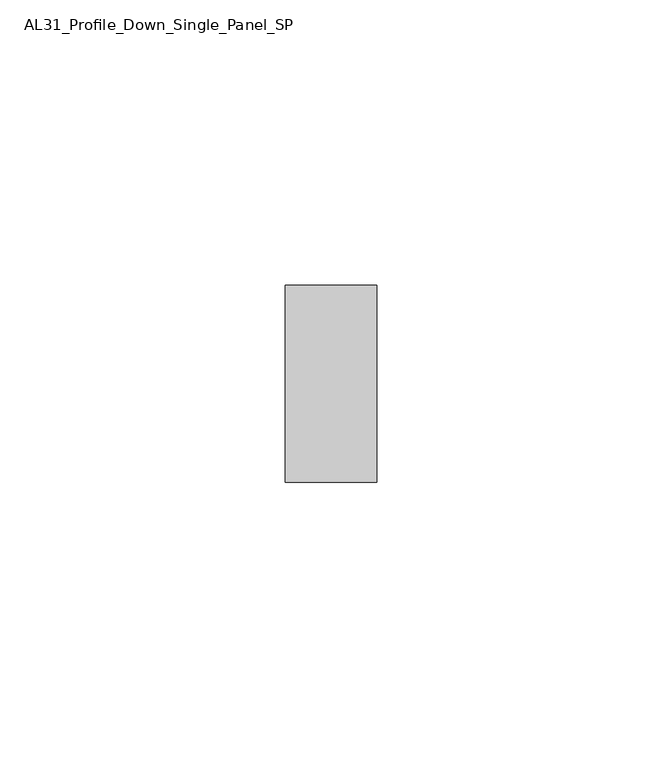
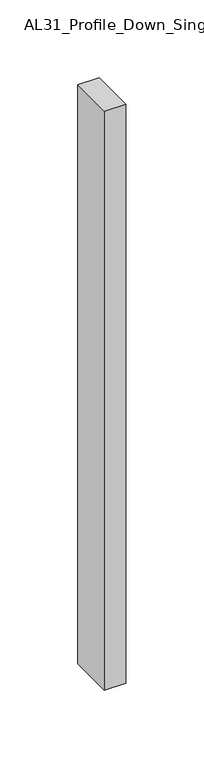
"""IFC4 building model written with IfcOpenShell, lengths in millimetres: member geometry, AL31_Profile_Down_Single_Panel_SP."""

from ifc_helpers import new_model, si_unit, frame, origin, place, context, project, spatial, polyline, outline, extrude, source, transform, mapped, element, save


def al31_profile_down_single_panel_sp_dfbf37a8(model_context):
    return source(origin(), model_context, "Body", "SweptSolid", [
        extrude(outline(polyline([(0.0, -17.25), (-16.0, -17.25), (-16.0, 17.25), (0.0, 17.25), (0.0, -17.25)])), frame((0.0, 0.0, -455.2), z_axis=(0.0, 0.0, 1.0), x_axis=(1.0, 0.0, 0.0)), (0.0, 0.0, 1.0), 455.2),
    ])


if __name__ == "__main__":
    model = new_model("IFC4")
    model_context = context("Model", 3, world=origin())
    ifc_project = project(units=[si_unit("LENGTHUNIT", "METRE", prefix="MILLI")], contexts=[model_context])
    site = spatial("IfcSite", under=ifc_project)
    building = spatial("IfcBuilding", under=site)
    placement = place(None, origin())
    al31_profile_down_single_panel_sp_shape = al31_profile_down_single_panel_sp_dfbf37a8(model_context)
    element("IfcMember", 1, ObjectType="AL31_Profile_Down_Single_Panel_SP", at=placement, inside=building, context=model_context, shape_type="MappedRepresentation", body=[
        mapped(al31_profile_down_single_panel_sp_shape, transform((0.0, 0.0, 0.0), x_axis=(1.0, 0.0, 0.0), y_axis=(0.0, 1.0, 0.0), z_axis=(0.0, 0.0, 1.0))),
    ])
    save(model, "model.ifc")
